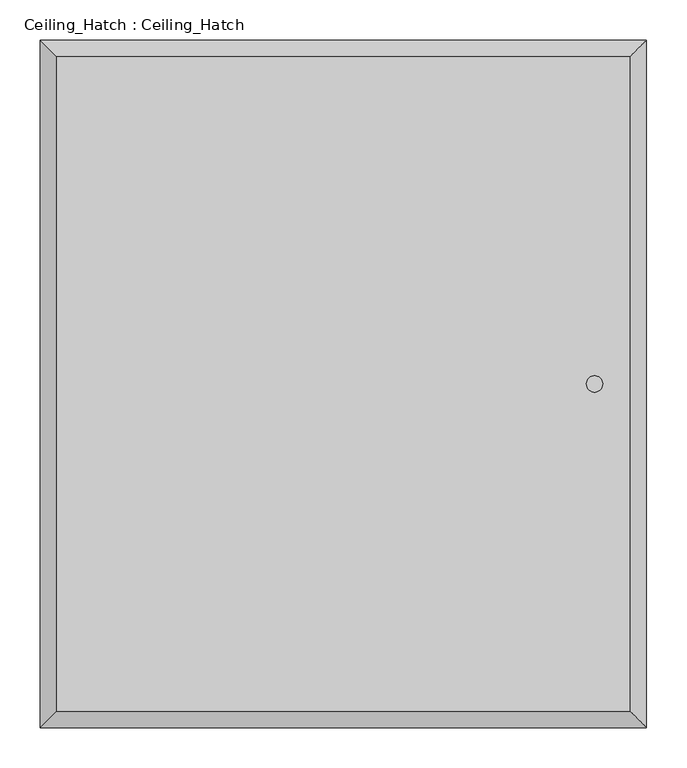
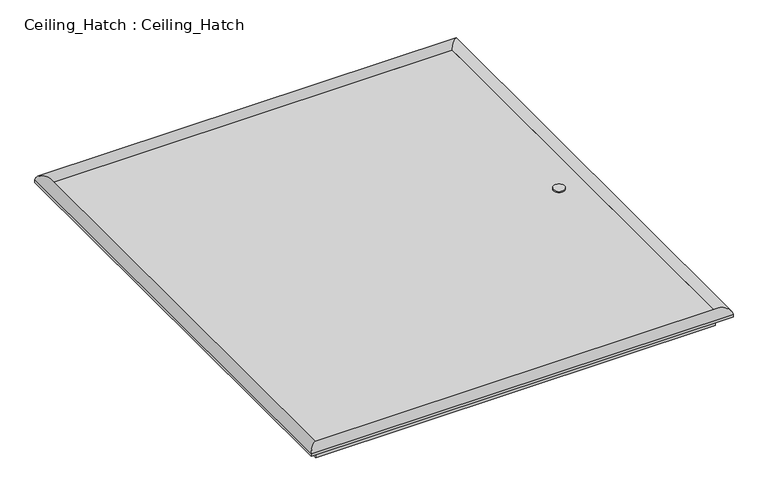
"""IFC4 building model written with IfcOpenShell, lengths in millimetres: proxy geometry, Ceiling_Hatch : Ceiling_Hatch."""

from ifc_helpers import new_model, si_unit, point, frame, frame_2d, origin, origin_with_axes, place, context, project, spatial, polyline, circle_curve, ellipse_curve, trimmed, segment, composite_curve, outline, extrude, source, transform, mapped, element, save
from ifc_brep_helpers import plane_surface, cylinder_surface, advanced_brep


def ceiling_hatch_ceiling_hatch_2de9e2f4(model_context):
    return source(origin(), model_context, "Body", "SolidModel", [
        extrude(outline(polyline([(355.0, 405.0), (355.0, -405.0), (-355.0, -405.0), (-355.0, 405.0), (355.0, 405.0)])), frame((0.0, 0.0, -25.0024459), z_axis=(0.0, 0.0, 1.0), x_axis=(1.0, 0.0, 0.0)), (0.0, 0.0, 1.0), 26.1564975),
        advanced_brep(
        [(-355.0, -405.0, 1.1540516), (-375.0, -425.0, 1.1540516), (375.0, -425.0, 1.1540516), (355.0, -405.0, 1.1540516), (-355.0, -405.0, -3.8459484), (355.0, -405.0, -3.8459484), (-375.0, -425.0, -3.8459484), (375.0, -425.0, -3.8459484), (375.0, 425.0, 1.1540516), (355.0, 405.0, 1.1540516), (355.0, 405.0, -3.8459484), (375.0, 425.0, -3.8459484), (-375.0, 425.0, 1.1540516), (-355.0, 405.0, 1.1540516), (-355.0, 405.0, -3.8459484), (-375.0, 425.0, -3.8459484)],
        [
            (0, 1, ellipse_curve(frame((-365.0, -415.0, 1.1540516), z_axis=(0.7071067811865475, -0.7071067811865475, 0.0), x_axis=(-0.7071067811865476, -0.7071067811865474, 0.0)), 14.1421356, 10.0)),
            (1, 2),
            (2, 3, ellipse_curve(frame((365.0, -415.0, 1.1540516), z_axis=(-0.7071067811865475, -0.7071067811865475, 0.0), x_axis=(-0.7071067811865476, 0.7071067811865474, 0.0)), 14.1421356, 10.0)),
            (3, 0),
            (4, 0),
            (3, 5),
            (5, 4),
            (1, 6),
            (6, 7),
            (7, 2),
            (2, 8),
            (8, 9, ellipse_curve(frame((365.0, 415.0, 1.1540516), z_axis=(0.7071067811865475, -0.7071067811865475, 0.0), x_axis=(-0.7071067811865474, -0.7071067811865476, 0.0)), 14.1421356, 10.0)),
            (9, 3),
            (9, 10),
            (10, 5),
            (7, 11),
            (11, 8),
            (8, 12),
            (12, 13, ellipse_curve(frame((-365.0, 415.0, 1.1540516), z_axis=(0.7071067811865475, 0.7071067811865475, 0.0), x_axis=(0.7071067811865476, -0.7071067811865474, 0.0)), 14.1421356, 10.0)),
            (13, 9),
            (13, 14),
            (14, 10),
            (11, 15),
            (15, 12),
            (12, 1),
            (0, 13),
            (4, 14),
            (6, 15),
        ],
        [
            cylinder_surface(frame((-355.0, -415.0, 1.1540516), z_axis=(-1.0, 0.0, 0.0), x_axis=(0.0, 1.0, 0.0)), 10.0),
            plane_surface(frame((-355.0, -405.0, 1.1540516), z_axis=(0.0, 1.0, 0.0), x_axis=(1.0, 0.0, 0.0))),
            plane_surface(frame((-375.0, -425.0, -3.8459484), z_axis=(0.0, -1.0, 0.0), x_axis=(1.0, 0.0, 0.0))),
            cylinder_surface(frame((365.0, -405.0, 1.1540516), z_axis=(0.0, -1.0, 0.0), x_axis=(-1.0, 0.0, 0.0)), 10.0),
            plane_surface(frame((355.0, -405.0, 1.1540516), z_axis=(-1.0, 0.0, 0.0), x_axis=(0.0, 1.0, 0.0))),
            plane_surface(frame((375.0, -425.0, -3.8459484), z_axis=(1.0, 0.0, 0.0), x_axis=(0.0, 1.0, 0.0))),
            cylinder_surface(frame((355.0, 415.0, 1.1540516), z_axis=(1.0, 0.0, 0.0), x_axis=(0.0, -1.0, 0.0)), 10.0),
            plane_surface(frame((355.0, 405.0, 1.1540516), z_axis=(0.0, -1.0, 0.0), x_axis=(-1.0, 0.0, 0.0))),
            plane_surface(frame((375.0, 425.0, -3.8459484), z_axis=(0.0, 1.0, 0.0), x_axis=(-1.0, 0.0, 0.0))),
            cylinder_surface(frame((-365.0, 405.0, 1.1540516), z_axis=(0.0, 1.0, 0.0), x_axis=(1.0, 0.0, 0.0)), 10.0),
            plane_surface(frame((-355.0, 405.0, 1.1540516), z_axis=(1.0, 0.0, 0.0), x_axis=(0.0, -1.0, 0.0))),
            plane_surface(frame((-355.0, 405.0, -3.8459484), z_axis=(0.0, 0.0, -1.0), x_axis=(0.0, -1.0, 0.0))),
            plane_surface(frame((-375.0, 425.0, -3.8459484), z_axis=(-1.0, 0.0, 0.0), x_axis=(0.0, -1.0, 0.0))),
        ],
        [
            (0, [[1, 2, 3, 4]]),
            (1, [[5, -4, 6, 7]]),
            (2, [[8, 9, 10, -2]]),
            (3, [[-3, 11, 12, 13]]),
            (4, [[-6, -13, 14, 15]]),
            (5, [[-10, 16, 17, -11]]),
            (6, [[-12, 18, 19, 20]]),
            (7, [[-14, -20, 21, 22]]),
            (8, [[-17, 23, 24, -18]]),
            (9, [[-19, 25, -1, 26]]),
            (10, [[-21, -26, -5, 27]]),
            (11, [[28, -23, -16, -9], [-15, -22, -27, -7]]),
            (12, [[-24, -28, -8, -25]]),
        ],
    ),
        extrude(outline(composite_curve([segment(trimmed(circle_curve(frame_2d((310.9734255, 0.0)), 10.0), [point((300.9734255, 0.0))], [point((320.9734255, 0.0))], False, "CARTESIAN"), True, "CONTINUOUS"), segment(trimmed(circle_curve(frame_2d((310.9734255, 0.0)), 10.0), [point((320.9734255, 0.0))], [point((300.9734255, 0.0))], False, "CARTESIAN"), True, "CONTINUOUS")], self_intersect=False)), origin_with_axes(), (0.0, 0.0, 1.0), 3.76991),
    ])


if __name__ == "__main__":
    model = new_model("IFC4")
    model_context = context("Model", 3, world=origin())
    ifc_project = project(units=[si_unit("LENGTHUNIT", "METRE", prefix="MILLI")], contexts=[model_context])
    site = spatial("IfcSite", under=ifc_project)
    building = spatial("IfcBuilding", under=site)
    placement = place(None, origin())
    ceiling_hatch_ceiling_hatch_shape = ceiling_hatch_ceiling_hatch_2de9e2f4(model_context)
    element("IfcBuildingElementProxy", 1, Name="Ceiling_Hatch : Ceiling_Hatch", ObjectType="Ceiling_Hatch : Ceiling_Hatch", at=placement, inside=building, context=model_context, shape_type="MappedRepresentation", body=[
        mapped(ceiling_hatch_ceiling_hatch_shape, transform((0.0, 0.0, 0.0), x_axis=(1.0, 0.0, 0.0), y_axis=(0.0, 1.0, 0.0), z_axis=(0.0, 0.0, 1.0))),
    ])
    save(model, "model.ifc")
